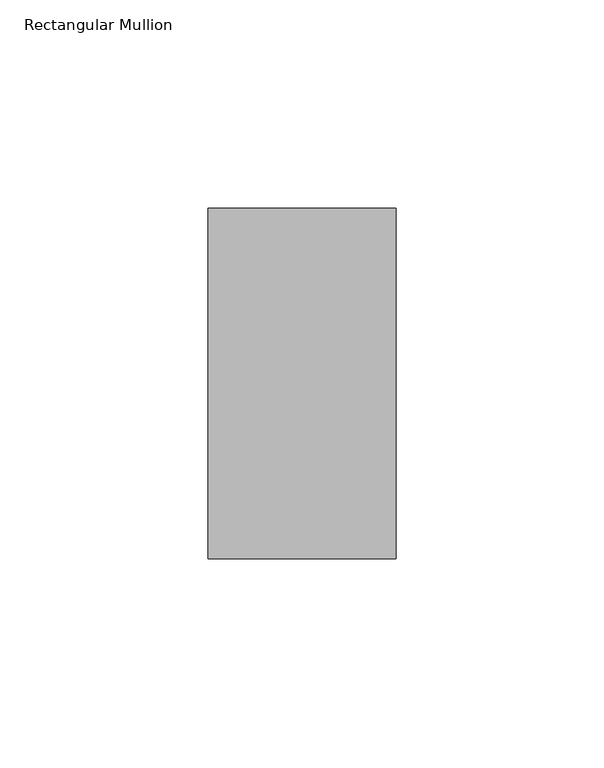
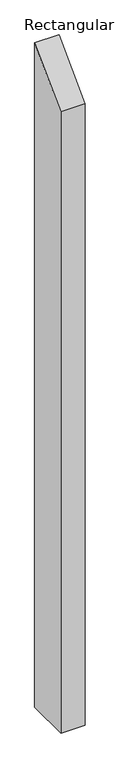
"""IFC4 building model written with IfcOpenShell, lengths in millimetres: member geometry, Rectangular Mullion."""

from ifc_helpers import new_model, si_unit, frame, origin, place, context, project, spatial, polyline, outline, extrude, source, transform, mapped, element, save


def rectangular_mullion_213e9d58(model_context):
    return source(origin(), model_context, "Body", "SweptSolid", [
        extrude(outline(polyline([(-42.0, -42.0), (42.0, 42.0), (42.0, -1260.0000003), (-42.0, -1260.0000003), (-42.0, -42.0)])), frame((-45.0, 0.0, 0.0), z_axis=(1.0, 0.0, 0.0), x_axis=(0.0, 1.0, 0.0)), (0.0, 0.0, 1.0), 45.0),
    ])


if __name__ == "__main__":
    model = new_model("IFC4")
    model_context = context("Model", 3, world=origin())
    ifc_project = project(units=[si_unit("LENGTHUNIT", "METRE", prefix="MILLI")], contexts=[model_context])
    site = spatial("IfcSite", under=ifc_project)
    building = spatial("IfcBuilding", under=site)
    placement = place(None, origin())
    rectangular_mullion_shape = rectangular_mullion_213e9d58(model_context)
    element("IfcMember", 1, ObjectType="Rectangular Mullion", at=placement, inside=building, context=model_context, shape_type="MappedRepresentation", body=[
        mapped(rectangular_mullion_shape, transform((0.0, 0.0, 0.0), x_axis=(1.0, 0.0, 0.0), y_axis=(0.0, 1.0, 0.0), z_axis=(0.0, 0.0, 1.0))),
    ])
    save(model, "model.ifc")
